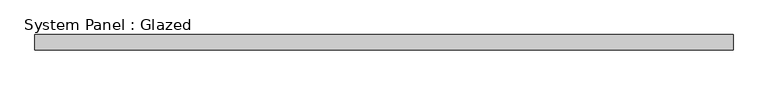
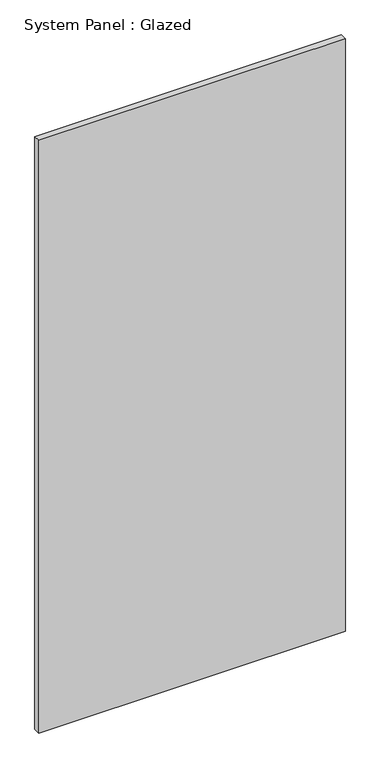
"""IFC4 building model written with IfcOpenShell, lengths in millimetres: plate geometry, System Panel : Glazed."""

from ifc_helpers import new_model, si_unit, origin, origin_with_axes, place, context, project, spatial, polyline, outline, extrude, source, transform, mapped, element, save


def system_panel_glazed_47105bc2(model_context):
    return source(origin(), model_context, "Body", "SweptSolid", [
        extrude(outline(polyline([(578.6374229, -12.7), (-578.6374229, -12.7), (-578.6374229, 12.7), (578.6374229, 12.7), (578.6374229, -12.7)])), origin_with_axes(), (0.0, 0.0, 1.0), 2363.8117345),
    ])


if __name__ == "__main__":
    model = new_model("IFC4")
    model_context = context("Model", 3, world=origin())
    ifc_project = project(units=[si_unit("LENGTHUNIT", "METRE", prefix="MILLI")], contexts=[model_context])
    site = spatial("IfcSite", under=ifc_project)
    building = spatial("IfcBuilding", under=site)
    placement = place(None, origin())
    system_panel_glazed_shape = system_panel_glazed_47105bc2(model_context)
    element("IfcPlate", 1, ObjectType="System Panel : Glazed", at=placement, inside=building, context=model_context, shape_type="MappedRepresentation", body=[
        mapped(system_panel_glazed_shape, transform((0.0, 0.0, 0.0), x_axis=(1.0, 0.0, 0.0), y_axis=(0.0, 1.0, 0.0), z_axis=(0.0, 0.0, 1.0))),
    ])
    save(model, "model.ifc")
